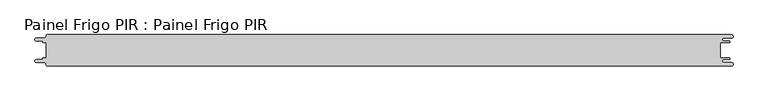
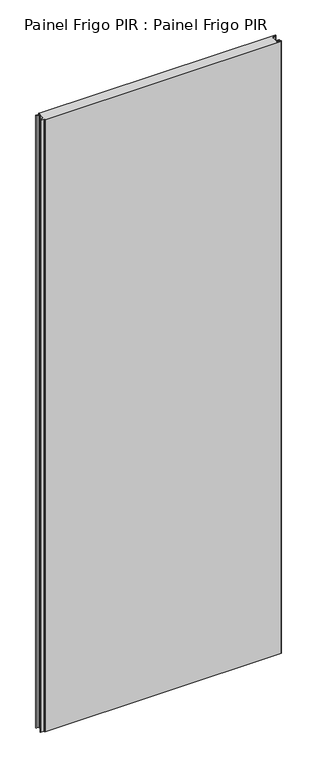
"""IFC4 building model written with IfcOpenShell, lengths in millimetres: proxy geometry, Painel Frigo PIR : Painel Frigo PIR."""

from ifc_helpers import new_model, si_unit, frame, origin, place, context, project, spatial, polyline, circle_curve, source, transform, mapped, element, save
from ifc_brep_helpers import plane_surface, cylinder_surface, revolved_surface, advanced_brep


def painel_frigo_pir_painel_frigo_pir_40a0aaa0(model_context):
    return source(origin(), model_context, "Body", "AdvancedBrep", [
        advanced_brep(
        [(-554.5874998, 12.3, 3000.0), (-549.2999612, 12.3, 3000.0), (-549.2999612, -12.2999995, 3000.0), (-554.5874998, -12.2999995, 3000.0), (-555.1875003, -12.9, 3000.0), (-555.1875003, -13.7085185, 3000.0), (-556.5875003, -15.1085185, 3000.0), (-565.565625, -15.1085185, 3000.0), (-565.565625, -19.5085185, 3000.0), (-553.55, -19.5085185, 3000.0), (-550.0, -23.0585185, 3000.0), (-548.05, -25.0, 3000.0), (546.89375, -25.0, 3000.0), (546.89375, -19.725, 3000.0), (534.45625, -19.725, 3000.0), (534.45625, -14.875, 3000.0), (543.1187503, -14.875, 3000.0), (543.1187503, -12.3, 3000.0), (529.2687503, -12.3, 3000.0), (529.2687503, 12.3, 3000.0), (543.1187503, 12.3, 3000.0), (543.1187503, 14.875, 3000.0), (534.45625, 14.875, 3000.0), (534.45625, 19.725, 3000.0), (546.89375, 19.725, 3000.0), (546.89375, 25.0, 3000.0), (-548.05, 25.0, 3000.0), (-550.0, 23.05, 3000.0), (-553.55, 19.5085185, 3000.0), (-565.565625, 19.5085185, 3000.0), (-565.565625, 15.1085187, 3000.0), (-556.5875001, 15.1085187, 3000.0), (-555.1874998, 13.7085184, 3000.0), (-555.1874998, 12.9, 3000.0), (-554.5874998, 12.3, 0.0), (-555.1874998, 12.9, 0.0), (-555.1874998, 13.7085184, 0.0), (-556.5875001, 15.1085187, 0.0), (-565.565625, 15.1085187, 0.0), (-565.565625, 19.5085185, 0.0), (-553.55, 19.5085185, 0.0), (-550.0, 23.0585185, 0.0), (-548.05, 25.0, 0.0), (546.89375, 25.0, 0.0), (546.89375, 19.725, 0.0), (534.45625, 19.725, 0.0), (534.45625, 14.875, 0.0), (543.1187503, 14.875, 0.0), (543.1187503, 12.3, 0.0), (529.2687503, 12.3, 0.0), (529.2687503, -12.3, 0.0), (543.1187503, -12.3, 0.0), (543.1187503, -14.875, 0.0), (534.45625, -14.875, 0.0), (534.45625, -19.725, 0.0), (546.89375, -19.725, 0.0), (546.89375, -25.0, 0.0), (-548.05, -25.0, 0.0), (-550.0, -23.05, 0.0), (-553.55, -19.5085185, 0.0), (-565.565625, -19.5085185, 0.0), (-565.565625, -15.1085185, 0.0), (-556.5875003, -15.1085185, 0.0), (-555.1875003, -13.7085185, 0.0), (-555.1875003, -12.9, 0.0), (-554.5874998, -12.2999995, 0.0), (-549.2999612, -12.2999995, 0.0), (-549.2999612, 12.3, 0.0)],
        [
            (0, 1),
            (1, 2),
            (2, 3),
            (3, 4, circle_curve(frame((-554.5874998, -12.9, 3000.0), z_axis=(0.0, 0.0, 1.0), x_axis=(1.0, 0.0, 0.0)), 0.6000005)),
            (4, 5),
            (5, 6, circle_curve(frame((-556.5875003, -13.7085185, 3000.0), z_axis=(0.0, 0.0, -1.0), x_axis=(1.0, 0.0, 0.0)), 1.4)),
            (6, 7),
            (7, 8, circle_curve(frame((-565.565625, -17.3085185, 3000.0), z_axis=(0.0, 0.0, 1.0), x_axis=(1.0, 0.0, 0.0)), 2.2)),
            (8, 9),
            (9, 10, circle_curve(frame((-553.55, -23.0585185, 3000.0), z_axis=(0.0, 0.0, -1.0), x_axis=(1.0, 0.0, 0.0)), 3.55)),
            (10, 11, circle_curve(frame((-548.05, -23.05, 3000.0), z_axis=(0.0, 0.0, 1.0), x_axis=(1.0, 0.0, 0.0)), 1.95)),
            (11, 12),
            (12, 13, circle_curve(frame((546.89375, -22.3625, 3000.0), z_axis=(0.0, 0.0, 1.0), x_axis=(1.0, 0.0, 0.0)), 2.6375)),
            (13, 14),
            (14, 15, circle_curve(frame((534.45625, -17.3, 3000.0), z_axis=(0.0, 0.0, -1.0), x_axis=(1.0, 0.0, 0.0)), 2.425)),
            (15, 16),
            (16, 17, circle_curve(frame((543.1187503, -13.5875, 3000.0), z_axis=(0.0, 0.0, 1.0), x_axis=(1.0, 0.0, 0.0)), 1.2875)),
            (17, 18),
            (18, 19),
            (19, 20),
            (20, 21, circle_curve(frame((543.1187503, 13.5875, 3000.0), z_axis=(0.0, 0.0, 1.0), x_axis=(1.0, 0.0, 0.0)), 1.2875)),
            (21, 22),
            (22, 23, circle_curve(frame((534.45625, 17.3, 3000.0), z_axis=(0.0, 0.0, -1.0), x_axis=(1.0, 0.0, 0.0)), 2.425)),
            (23, 24),
            (24, 25, circle_curve(frame((546.89375, 22.3625, 3000.0), z_axis=(0.0, 0.0, 1.0), x_axis=(1.0, 0.0, 0.0)), 2.6375)),
            (25, 26),
            (26, 27, circle_curve(frame((-548.05, 23.05, 3000.0), z_axis=(0.0, 0.0, 1.0), x_axis=(1.0, 0.0, 0.0)), 1.95)),
            (27, 28, circle_curve(frame((-553.55, 23.0585185, 3000.0), z_axis=(0.0, 0.0, -1.0), x_axis=(1.0, 0.0, 0.0)), 3.55)),
            (28, 29),
            (29, 30, circle_curve(frame((-565.565625, 17.3085186, 3000.0), z_axis=(0.0, 0.0, 1.0), x_axis=(1.0, 0.0, 0.0)), 2.1999999)),
            (30, 31),
            (31, 32, circle_curve(frame((-556.5875001, 13.7085184, 3000.0), z_axis=(0.0, 0.0, -1.0), x_axis=(1.0, 0.0, 0.0)), 1.4000003)),
            (32, 33),
            (33, 0, circle_curve(frame((-554.5874998, 12.9, 3000.0), z_axis=(0.0, 0.0, 1.0), x_axis=(1.0, 0.0, 0.0)), 0.6)),
            (34, 35, circle_curve(frame((-554.5874998, 12.9, 0.0), z_axis=(0.0, 0.0, -1.0), x_axis=(1.0, 0.0, 0.0)), 0.6)),
            (35, 36),
            (36, 37, circle_curve(frame((-556.5875001, 13.7085184, 0.0), z_axis=(0.0, 0.0, 1.0), x_axis=(1.0, 0.0, 0.0)), 1.4000003)),
            (37, 38),
            (38, 39, circle_curve(frame((-565.565625, 17.3085186, 0.0), z_axis=(0.0, 0.0, -1.0), x_axis=(1.0, 0.0, 0.0)), 2.1999999)),
            (39, 40),
            (40, 41, circle_curve(frame((-553.55, 23.0585185, 0.0), z_axis=(0.0, 0.0, 1.0), x_axis=(1.0, 0.0, 0.0)), 3.55)),
            (41, 42, circle_curve(frame((-548.05, 23.05, 0.0), z_axis=(0.0, 0.0, -1.0), x_axis=(1.0, 0.0, 0.0)), 1.95)),
            (42, 43),
            (43, 44, circle_curve(frame((546.89375, 22.3625, 0.0), z_axis=(0.0, 0.0, -1.0), x_axis=(1.0, 0.0, 0.0)), 2.6375)),
            (44, 45),
            (45, 46, circle_curve(frame((534.45625, 17.3, 0.0), z_axis=(0.0, 0.0, 1.0), x_axis=(1.0, 0.0, 0.0)), 2.425)),
            (46, 47),
            (47, 48, circle_curve(frame((543.1187503, 13.5875, 0.0), z_axis=(0.0, 0.0, -1.0), x_axis=(1.0, 0.0, 0.0)), 1.2875)),
            (48, 49),
            (49, 50),
            (50, 51),
            (51, 52, circle_curve(frame((543.1187503, -13.5875, 0.0), z_axis=(0.0, 0.0, -1.0), x_axis=(1.0, 0.0, 0.0)), 1.2875)),
            (52, 53),
            (53, 54, circle_curve(frame((534.45625, -17.3, 0.0), z_axis=(0.0, 0.0, 1.0), x_axis=(1.0, 0.0, 0.0)), 2.425)),
            (54, 55),
            (55, 56, circle_curve(frame((546.89375, -22.3625, 0.0), z_axis=(0.0, 0.0, -1.0), x_axis=(1.0, 0.0, 0.0)), 2.6375)),
            (56, 57),
            (57, 58, circle_curve(frame((-548.05, -23.05, 0.0), z_axis=(0.0, 0.0, -1.0), x_axis=(1.0, 0.0, 0.0)), 1.95)),
            (58, 59, circle_curve(frame((-553.55, -23.0585185, 0.0), z_axis=(0.0, 0.0, 1.0), x_axis=(1.0, 0.0, 0.0)), 3.55)),
            (59, 60),
            (60, 61, circle_curve(frame((-565.565625, -17.3085185, 0.0), z_axis=(0.0, 0.0, -1.0), x_axis=(1.0, 0.0, 0.0)), 2.2)),
            (61, 62),
            (62, 63, circle_curve(frame((-556.5875003, -13.7085185, 0.0), z_axis=(0.0, 0.0, 1.0), x_axis=(1.0, 0.0, 0.0)), 1.4)),
            (63, 64),
            (64, 65, circle_curve(frame((-554.5874998, -12.9, 0.0), z_axis=(0.0, 0.0, -1.0), x_axis=(1.0, 0.0, 0.0)), 0.6000005)),
            (65, 66),
            (66, 67),
            (67, 34),
            (0, 34),
            (67, 1),
            (66, 2),
            (65, 3),
            (64, 4),
            (63, 5),
            (62, 6),
            (61, 7),
            (60, 8),
            (59, 9),
            (58, 10),
            (57, 11),
            (56, 12),
            (18, 50),
            (49, 19),
            (48, 20),
            (47, 21),
            (46, 22),
            (45, 23),
            (44, 24),
            (43, 25),
            (42, 26),
            (41, 27),
            (40, 28),
            (39, 29),
            (38, 30),
            (37, 31),
            (36, 32),
            (35, 33),
            (55, 13),
            (54, 14),
            (53, 15),
            (52, 16),
            (51, 17),
        ],
        [
            plane_surface(frame((-549.2999612, 12.3, 3000.0), z_axis=(0.0, 0.0, 1.0), x_axis=(1.0, 0.0, 0.0))),
            plane_surface(frame((-549.2999612, 12.3, 0.0), z_axis=(0.0, 0.0, -1.0), x_axis=(-1.0, 0.0, 0.0))),
            plane_surface(frame((-554.5874998, 12.3, 3000.0), z_axis=(0.0, -1.0, 0.0), x_axis=(0.0, 0.0, -1.0))),
            plane_surface(frame((-549.2999612, 12.3, 3000.0), z_axis=(-1.0, 0.0, 0.0), x_axis=(0.0, 0.0, -1.0))),
            plane_surface(frame((-549.2999612, -12.2999995, 3000.0), z_axis=(0.0, 1.0, 0.0), x_axis=(0.0, 0.0, -1.0))),
            cylinder_surface(frame((-554.5874998, -12.9, 0.0), z_axis=(0.0, 0.0, 1.0), x_axis=(1.0, 0.0, 0.0)), 0.6000005),
            plane_surface(frame((-555.1875003, -12.9, 3000.0), z_axis=(-1.0, 1.7578608662329016e-12, 0.0), x_axis=(0.0, 0.0, -1.0))),
            revolved_surface(polyline([(-555.1875003, -13.7085185, 0.0), (-555.1875003, -13.7085185, 3000.0)]), (-556.5875003, -13.7085185, 0.0), (0.0, 0.0, -1.0)),
            plane_surface(frame((-556.5875003, -15.1085185, 3000.0), z_axis=(0.0, 1.0, 0.0), x_axis=(0.0, 0.0, -1.0))),
            cylinder_surface(frame((-565.565625, -17.3085185, 0.0), z_axis=(0.0, 0.0, 1.0), x_axis=(1.0, 0.0, 0.0)), 2.2),
            plane_surface(frame((-565.565625, -19.5085185, 3000.0), z_axis=(0.0, -1.0, 0.0), x_axis=(0.0, 0.0, -1.0))),
            revolved_surface(polyline([(-550.0, -23.0585185, 0.0), (-550.0, -23.0585185, 3000.0)]), (-553.55, -23.0585185, 0.0), (0.0, 0.0, -1.0)),
            cylinder_surface(frame((-548.05, -23.05, 0.0), z_axis=(0.0, 0.0, 1.0), x_axis=(1.0, 0.0, 0.0)), 1.95),
            plane_surface(frame((-548.05, -25.0, 3000.0), z_axis=(0.0, -1.0, 0.0), x_axis=(0.0, 0.0, -1.0))),
            plane_surface(frame((529.2687503, -12.3, 3000.0), z_axis=(1.0, 0.0, 0.0), x_axis=(0.0, 0.0, -1.0))),
            plane_surface(frame((529.2687503, 12.3, 3000.0), z_axis=(0.0, -1.0, 0.0), x_axis=(0.0, 0.0, -1.0))),
            cylinder_surface(frame((543.1187503, 13.5875, 0.0), z_axis=(0.0, 0.0, 1.0), x_axis=(1.0, 0.0, 0.0)), 1.2875),
            plane_surface(frame((543.1187503, 14.875, 3000.0), z_axis=(0.0, 1.0, 0.0), x_axis=(0.0, 0.0, -1.0))),
            revolved_surface(polyline([(536.8812499999999, 17.3, 0.0), (536.8812499999999, 17.3, 3000.0)]), (534.45625, 17.3, 0.0), (0.0, 0.0, -1.0)),
            plane_surface(frame((534.45625, 19.725, 3000.0), z_axis=(0.0, -1.0, 0.0), x_axis=(0.0, 0.0, -1.0))),
            cylinder_surface(frame((546.89375, 22.3625, 0.0), z_axis=(0.0, 0.0, 1.0), x_axis=(1.0, 0.0, 0.0)), 2.6375),
            plane_surface(frame((546.89375, 25.0, 3000.0), z_axis=(0.0, 1.0, 0.0), x_axis=(0.0, 0.0, -1.0))),
            cylinder_surface(frame((-548.05, 23.05, 0.0), z_axis=(0.0, 0.0, 1.0), x_axis=(1.0, 0.0, 0.0)), 1.95),
            revolved_surface(polyline([(-550.0, 23.0585185, 0.0), (-550.0, 23.0585185, 3000.0)]), (-553.55, 23.0585185, 0.0), (0.0, 0.0, -1.0)),
            plane_surface(frame((-553.55, 19.5085185, 3000.0), z_axis=(0.0, 1.0, 0.0), x_axis=(0.0, 0.0, -1.0))),
            cylinder_surface(frame((-565.565625, 17.3085186, 0.0), z_axis=(0.0, 0.0, 1.0), x_axis=(1.0, 0.0, 0.0)), 2.1999999),
            plane_surface(frame((-565.565625, 15.1085187, 3000.0), z_axis=(0.0, -1.0, 0.0), x_axis=(0.0, 0.0, -1.0))),
            revolved_surface(polyline([(-555.1874998000001, 13.7085184, 0.0), (-555.1874998000001, 13.7085184, 3000.0)]), (-556.5875001, 13.7085184, 0.0), (0.0, 0.0, -1.0)),
            plane_surface(frame((-555.1874998, 13.7085184, 3000.0), z_axis=(-1.0, 0.0, 0.0), x_axis=(0.0, 0.0, -1.0))),
            cylinder_surface(frame((-554.5874998, 12.9, 0.0), z_axis=(0.0, 0.0, 1.0), x_axis=(1.0, 0.0, 0.0)), 0.6),
            cylinder_surface(frame((546.89375, -22.3625, 0.0), z_axis=(0.0, 0.0, 1.0), x_axis=(1.0, 0.0, 0.0)), 2.6375),
            plane_surface(frame((546.89375, -19.725, 3000.0), z_axis=(0.0, 1.0, 0.0), x_axis=(0.0, 0.0, -1.0))),
            revolved_surface(polyline([(536.8812499999999, -17.3, 0.0), (536.8812499999999, -17.3, 3000.0)]), (534.45625, -17.3, 0.0), (0.0, 0.0, -1.0)),
            plane_surface(frame((534.45625, -14.875, 3000.0), z_axis=(0.0, -1.0, 0.0), x_axis=(0.0, 0.0, -1.0))),
            cylinder_surface(frame((543.1187503, -13.5875, 0.0), z_axis=(0.0, 0.0, 1.0), x_axis=(1.0, 0.0, 0.0)), 1.2875),
            plane_surface(frame((543.1187503, -12.3, 3000.0), z_axis=(0.0, 1.0, 0.0), x_axis=(0.0, 0.0, -1.0))),
        ],
        [
            (0, [[1, 2, 3, 4, 5, 6, 7, 8, 9, 10, 11, 12, 13, 14, 15, 16, 17, 18, 19, 20, 21, 22, 23, 24, 25, 26, 27, 28, 29, 30, 31, 32, 33, 34]]),
            (1, [[35, 36, 37, 38, 39, 40, 41, 42, 43, 44, 45, 46, 47, 48, 49, 50, 51, 52, 53, 54, 55, 56, 57, 58, 59, 60, 61, 62, 63, 64, 65, 66, 67, 68]]),
            (2, [[-1, 69, -68, 70]]),
            (3, [[-2, -70, -67, 71]]),
            (4, [[-3, -71, -66, 72]]),
            (5, [[-4, -72, -65, 73]]),
            (6, [[-5, -73, -64, 74]]),
            (7, [[-6, -74, -63, 75]]),
            (8, [[-7, -75, -62, 76]]),
            (9, [[-8, -76, -61, 77]]),
            (10, [[-9, -77, -60, 78]]),
            (11, [[-10, -78, -59, 79]]),
            (12, [[-11, -79, -58, 80]]),
            (13, [[-12, -80, -57, 81]]),
            (14, [[-19, 82, -50, 83]]),
            (15, [[-20, -83, -49, 84]]),
            (16, [[-21, -84, -48, 85]]),
            (17, [[-22, -85, -47, 86]]),
            (18, [[-23, -86, -46, 87]]),
            (19, [[-24, -87, -45, 88]]),
            (20, [[-25, -88, -44, 89]]),
            (21, [[-26, -89, -43, 90]]),
            (22, [[-27, -90, -42, 91]]),
            (23, [[-28, -91, -41, 92]]),
            (24, [[-29, -92, -40, 93]]),
            (25, [[-30, -93, -39, 94]]),
            (26, [[-31, -94, -38, 95]]),
            (27, [[-32, -95, -37, 96]]),
            (28, [[-33, -96, -36, 97]]),
            (29, [[-34, -97, -35, -69]]),
            (30, [[-13, -81, -56, 98]]),
            (31, [[-14, -98, -55, 99]]),
            (32, [[-15, -99, -54, 100]]),
            (33, [[-16, -100, -53, 101]]),
            (34, [[-17, -101, -52, 102]]),
            (35, [[-18, -102, -51, -82]]),
        ],
    ),
    ])


if __name__ == "__main__":
    model = new_model("IFC4")
    model_context = context("Model", 3, world=origin())
    ifc_project = project(units=[si_unit("LENGTHUNIT", "METRE", prefix="MILLI")], contexts=[model_context])
    site = spatial("IfcSite", under=ifc_project)
    building = spatial("IfcBuilding", under=site)
    placement = place(None, origin())
    painel_frigo_pir_painel_frigo_pir_shape = painel_frigo_pir_painel_frigo_pir_40a0aaa0(model_context)
    element("IfcBuildingElementProxy", 1, Name="Painel Frigo PIR : Painel Frigo PIR", ObjectType="Painel Frigo PIR : Painel Frigo PIR", at=placement, inside=building, context=model_context, shape_type="MappedRepresentation", body=[
        mapped(painel_frigo_pir_painel_frigo_pir_shape, transform((0.0, 0.0, 0.0), x_axis=(1.0, 0.0, 0.0), y_axis=(0.0, 1.0, 0.0), z_axis=(0.0, 0.0, 1.0))),
    ])
    save(model, "model.ifc")
